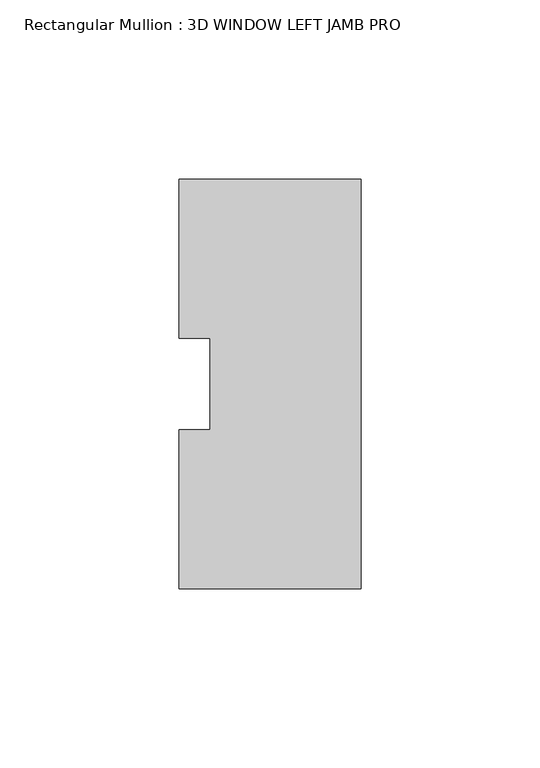
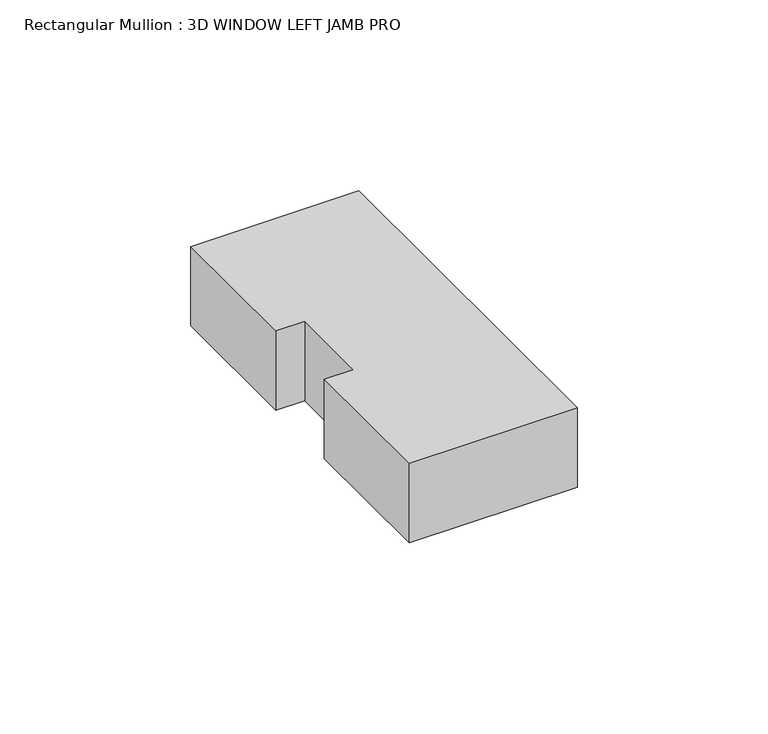
"""IFC4 building model written with IfcOpenShell, lengths in millimetres: member geometry, Rectangular Mullion : 3D WINDOW LEFT JAMB PRO."""

from ifc_helpers import new_model, si_unit, frame, origin, place, context, project, spatial, polyline, outline, extrude, source, transform, mapped, element, save


def rectangular_mullion_3d_window_left_jamb_pro_66999f33(model_context):
    return source(origin(), model_context, "Body", "SweptSolid", [
        extrude(outline(polyline([(-26.6832144, -57.1388465), (-26.6832144, -12.7438492), (-17.9519644, -12.7438492), (-17.9519644, 12.7438492), (-26.6832144, 12.7438492), (-26.6832144, 57.1611535), (24.1167856, 57.1611535), (24.1167856, -57.1388465), (-26.6832144, -57.1388465)])), frame((0.0, 0.0, -25.4), z_axis=(0.0, 0.0, 1.0), x_axis=(1.0, 0.0, 0.0)), (0.0, 0.0, 1.0), 25.4),
    ])


if __name__ == "__main__":
    model = new_model("IFC4")
    model_context = context("Model", 3, world=origin())
    ifc_project = project(units=[si_unit("LENGTHUNIT", "METRE", prefix="MILLI")], contexts=[model_context])
    site = spatial("IfcSite", under=ifc_project)
    building = spatial("IfcBuilding", under=site)
    placement = place(None, origin())
    rectangular_mullion_3d_window_left_jamb_pro_shape = rectangular_mullion_3d_window_left_jamb_pro_66999f33(model_context)
    element("IfcMember", 1, ObjectType="Rectangular Mullion : 3D WINDOW LEFT JAMB PRO", at=placement, inside=building, context=model_context, shape_type="MappedRepresentation", body=[
        mapped(rectangular_mullion_3d_window_left_jamb_pro_shape, transform((0.0, 0.0, 0.0), x_axis=(1.0, 0.0, 0.0), y_axis=(0.0, 1.0, 0.0), z_axis=(0.0, 0.0, 1.0))),
    ])
    save(model, "model.ifc")
